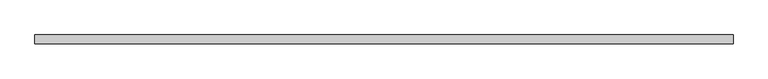
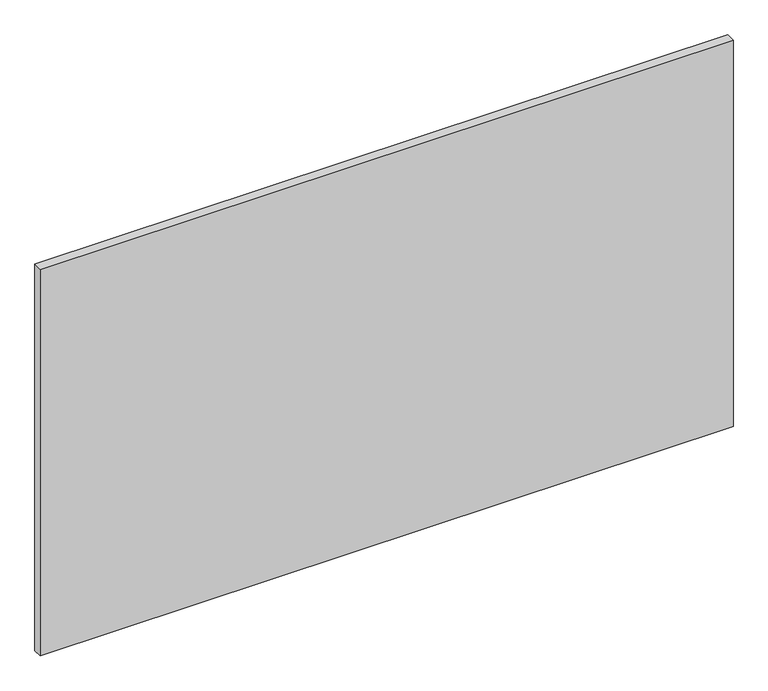
"""IFC4 building model written with IfcOpenShell, lengths in millimetres: plate geometry."""

from ifc_helpers import new_model, si_unit, origin, origin_with_axes, place, context, project, spatial, polyline, outline, extrude, source, transform, mapped, element, save


def plate_3191622c(model_context):
    return source(origin(), model_context, "Body", "SweptSolid", [
        extrude(outline(polyline([(975.9, 12.7), (975.9, -12.7), (-975.9, -12.7), (-975.9, 12.7), (975.9, 12.7)])), origin_with_axes(), (0.0, 0.0, 1.0), 1151.7),
    ])


if __name__ == "__main__":
    model = new_model("IFC4")
    model_context = context("Model", 3, world=origin())
    ifc_project = project(units=[si_unit("LENGTHUNIT", "METRE", prefix="MILLI")], contexts=[model_context])
    site = spatial("IfcSite", under=ifc_project)
    building = spatial("IfcBuilding", under=site)
    placement = place(None, origin())
    plate_shape = plate_3191622c(model_context)
    element("IfcPlate", 1, at=placement, inside=building, context=model_context, shape_type="MappedRepresentation", body=[
        mapped(plate_shape, transform((0.0, 0.0, 0.0), x_axis=(1.0, 0.0, 0.0), y_axis=(0.0, 1.0, 0.0), z_axis=(0.0, 0.0, 1.0))),
    ])
    save(model, "model.ifc")
